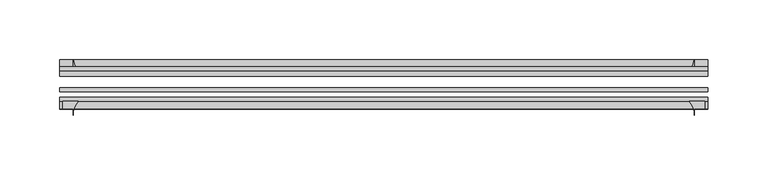
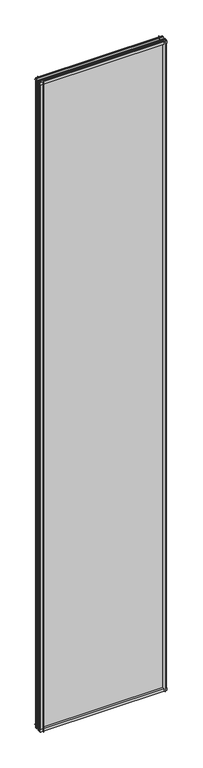
"""IFC4 building model written with IfcOpenShell, lengths in millimetres: plate geometry."""

from ifc_helpers import new_model, si_unit, point, frame, frame_2d, origin, place, context, project, spatial, polyline, circle_curve, trimmed, segment, composite_curve, outline, extrude, source, transform, mapped, element, save


def plate_3959f7e7(model_context):
    return source(origin(), model_context, "Body", "SweptSolid", [
        extrude(outline(composite_curve([segment(polyline([(-42.891075, -11.1125), (-42.891075, 3.8539528)]), True, "CONTINUOUS"), segment(trimmed(circle_curve(frame_2d((-26.637892, 29.5913262)), 30.4397495), [point((-42.891075, 3.8539528))], [point((-33.7745413, 0.0))], True, "CARTESIAN"), True, "CONTINUOUS"), segment(polyline([(-33.7745413, 0.0), (-39.690675, 0.0), (-39.690675, -11.1125), (-42.891075, -11.1125)]), True, "CONTINUOUS")], self_intersect=False)), frame((-271.4625, 0.0, 0.0), z_axis=(1.0, 0.0, 0.0), x_axis=(0.0, 1.0, 0.0)), (0.0, 0.0, 1.0), 542.925),
        extrude(outline(composite_curve([segment(trimmed(circle_curve(frame_2d((-80.4922797, 17.8701603)), 18.6769817), [point((-74.641075, 0.1333891))], [point((-68.291075, 3.72943))], True, "CARTESIAN"), True, "CONTINUOUS"), segment(polyline([(-68.291075, 3.72943), (-68.291075, -10.3251), (-74.641075, -10.3251), (-74.641075, 0.1333891)]), True, "CONTINUOUS")], self_intersect=False)), frame((-271.4625, 0.0, 0.0), z_axis=(1.0, 0.0, 0.0), x_axis=(0.0, 1.0, 0.0)), (0.0, 0.0, 1.0), 542.925),
        extrude(outline(composite_curve([segment(polyline([(-42.891075, 2910.7833472), (-42.891075, 2925.7625), (-39.690675, 2925.7625), (-39.690675, 2914.65), (-33.721675, 2914.65)]), True, "CONTINUOUS"), segment(trimmed(circle_curve(frame_2d((-26.637892, 2885.0459738)), 30.4397495), [point((-33.721675, 2914.65))], [point((-42.891075, 2910.7833472))], True, "CARTESIAN"), True, "CONTINUOUS")], self_intersect=False)), frame((-271.4625, 0.0, 0.0), z_axis=(1.0, 0.0, 0.0), x_axis=(0.0, 1.0, 0.0)), (0.0, 0.0, 1.0), 542.925),
        extrude(outline(composite_curve([segment(polyline([(-68.291075, 2923.3876), (-68.291075, 2910.11412)]), True, "CONTINUOUS"), segment(trimmed(circle_curve(frame_2d((-80.4922797, 2895.9733897)), 18.6769817), [point((-68.291075, 2910.11412))], [point((-74.641075, 2913.7101609))], True, "CARTESIAN"), True, "CONTINUOUS"), segment(polyline([(-74.641075, 2913.7101609), (-74.641075, 2923.3876), (-68.291075, 2923.3876)]), True, "CONTINUOUS")], self_intersect=False)), frame((-271.4625, 0.0, 0.0), z_axis=(1.0, 0.0, 0.0), x_axis=(0.0, 1.0, 0.0)), (0.0, 0.0, 1.0), 542.925),
        extrude(outline(composite_curve([segment(polyline([(255.81412, -68.291075), (269.0876, -68.291075), (269.0876, -74.641075), (260.35, -74.641075), (260.35, -80.3744844)]), True, "CONTINUOUS"), segment(trimmed(circle_curve(frame_2d((241.6733897, -80.4922797)), 18.6769817), [point((260.35, -80.3744844))], [point((255.81412, -68.291075))], True, "CARTESIAN"), True, "CONTINUOUS")], self_intersect=False)), frame((0.0, 0.0, -11.1125), z_axis=(0.0, 0.0, 1.0), x_axis=(1.0, 0.0, 0.0)), (0.0, 0.0, 1.0), 2936.875),
        extrude(outline(composite_curve([segment(trimmed(circle_curve(frame_2d((230.7459738, -26.637892)), 30.4397495), [point((256.4833472, -42.891075))], [point((260.35, -33.721675))], True, "CARTESIAN"), True, "CONTINUOUS"), segment(polyline([(260.35, -33.721675), (260.35, -39.690675), (271.4625, -39.690675), (271.4625, -42.891075), (256.4833472, -42.891075)]), True, "CONTINUOUS")], self_intersect=False)), frame((0.0, 0.0, -11.1125), z_axis=(0.0, 0.0, 1.0), x_axis=(1.0, 0.0, 0.0)), (0.0, 0.0, 1.0), 2936.875),
        extrude(outline(composite_curve([segment(trimmed(circle_curve(frame_2d((-241.6733897, -80.4922797)), 18.6769817), [point((-255.81412, -68.291075))], [point((-260.35, -80.3744844))], True, "CARTESIAN"), True, "CONTINUOUS"), segment(polyline([(-260.35, -80.3744844), (-260.35, -74.641075), (-269.0876, -74.641075), (-269.0876, -68.291075), (-255.81412, -68.291075)]), True, "CONTINUOUS")], self_intersect=False)), frame((0.0, 0.0, -11.1125), z_axis=(0.0, 0.0, 1.0), x_axis=(1.0, 0.0, 0.0)), (0.0, 0.0, 1.0), 2936.875),
        extrude(outline(composite_curve([segment(polyline([(-256.4833472, -42.891075), (-271.4625, -42.891075), (-271.4625, -39.690675), (-260.35, -39.690675), (-260.35, -33.721675)]), True, "CONTINUOUS"), segment(trimmed(circle_curve(frame_2d((-230.7459738, -26.637892)), 30.4397495), [point((-260.35, -33.721675))], [point((-256.4833472, -42.891075))], True, "CARTESIAN"), True, "CONTINUOUS")], self_intersect=False)), frame((0.0, 0.0, -11.1125), z_axis=(0.0, 0.0, 1.0), x_axis=(1.0, 0.0, 0.0)), (0.0, 0.0, 1.0), 2936.875),
        extrude(outline(polyline([(-271.4625, -42.891075), (271.4625, -42.891075), (271.4625, -47.653575), (-271.4625, -47.653575), (-271.4625, -42.891075)])), frame((0.0, 0.0, -11.1125), z_axis=(0.0, 0.0, 1.0), x_axis=(1.0, 0.0, 0.0)), (0.0, 0.0, 1.0), 2936.875),
        extrude(outline(polyline([(271.4625, -57.369075), (271.4625, -60.544075), (-271.4625, -60.544075), (-271.4625, -57.369075), (271.4625, -57.369075)])), frame((0.0, 0.0, -11.1125), z_axis=(0.0, 0.0, 1.0), x_axis=(1.0, 0.0, 0.0)), (0.0, 0.0, 1.0), 2936.875),
        extrude(outline(polyline([(-271.4625, -65.116075), (271.4625, -65.116075), (271.4625, -68.291075), (-271.4625, -68.291075), (-271.4625, -65.116075)])), frame((0.0, 0.0, -11.1125), z_axis=(0.0, 0.0, 1.0), x_axis=(1.0, 0.0, 0.0)), (0.0, 0.0, 1.0), 2936.875),
    ])


if __name__ == "__main__":
    model = new_model("IFC4")
    model_context = context("Model", 3, world=origin())
    ifc_project = project(units=[si_unit("LENGTHUNIT", "METRE", prefix="MILLI")], contexts=[model_context])
    site = spatial("IfcSite", under=ifc_project)
    building = spatial("IfcBuilding", under=site)
    placement = place(None, origin())
    plate_shape = plate_3959f7e7(model_context)
    element("IfcPlate", 1, at=placement, inside=building, context=model_context, shape_type="MappedRepresentation", body=[
        mapped(plate_shape, transform((0.0, 0.0, 0.0), x_axis=(1.0, 0.0, 0.0), y_axis=(0.0, 1.0, 0.0), z_axis=(0.0, 0.0, 1.0))),
    ])
    save(model, "model.ifc")
